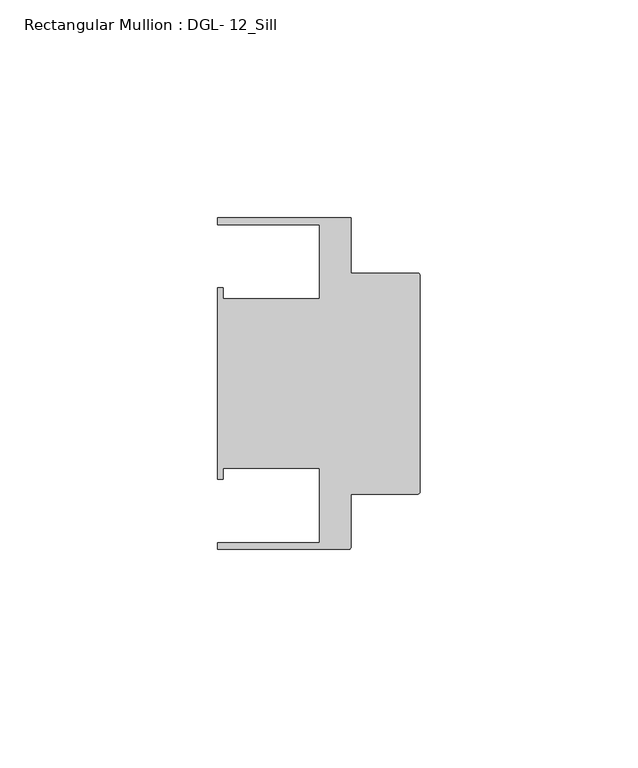
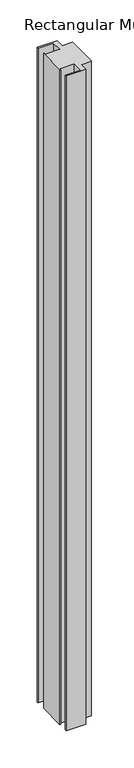
"""IFC4 building model written with IfcOpenShell, lengths in millimetres: member geometry, Rectangular Mullion : DGL- 12_Sill."""

from ifc_helpers import new_model, si_unit, point, frame, frame_2d, origin, place, context, project, spatial, polyline, circle_curve, trimmed, segment, composite_curve, outline, extrude, source, transform, mapped, element, save


def rectangular_mullion_dgl_12_sill_7a303648(model_context):
    return source(origin(), model_context, "Body", "SweptSolid", [
        extrude(outline(composite_curve([segment(trimmed(circle_curve(frame_2d((-0.5953125, 24.8046875)), 0.5953125), [point((-0.5953125, 25.4))], [point((0.0, 24.8046875))], False, "CARTESIAN"), True, "CONTINUOUS"), segment(polyline([(0.0, 24.8046875), (0.0, -24.8046875)]), True, "CONTINUOUS"), segment(trimmed(circle_curve(frame_2d((-0.5953125, -24.8046875)), 0.5953125), [point((0.0, -24.8046875))], [point((-0.5953125, -25.4))], False, "CARTESIAN"), True, "CONTINUOUS"), segment(polyline([(-0.5953125, -25.4), (-15.8750672, -25.4), (-15.8750672, -37.5047035)]), True, "CONTINUOUS"), segment(trimmed(circle_curve(frame_2d((-16.4703797, -37.5047035)), 0.5953125), [point((-15.8750672, -37.5047035))], [point((-16.4703797, -38.100016))], False, "CARTESIAN"), True, "CONTINUOUS"), segment(polyline([(-16.4703797, -38.100016), (-46.54296, -38.100016), (-46.54296, -36.512516), (-23.1202791, -36.512516), (-23.1202791, -19.4824275), (-45.2865266, -19.4824275), (-45.2865266, -21.9710976), (-46.54296, -21.9710976), (-46.54296, 21.9710976), (-45.2865266, 21.9710976), (-45.2865266, 19.4824275), (-23.1202791, 19.4824275), (-23.1202791, 36.512516), (-46.54296, 36.512516), (-46.54296, 38.0996792), (-15.8750672, 38.0996792), (-15.8750672, 25.4), (-0.5953125, 25.4)]), True, "CONTINUOUS")], self_intersect=False)), frame((0.0, 0.0, -1066.8), z_axis=(0.0, 0.0, 1.0), x_axis=(1.0, 0.0, 0.0)), (0.0, 0.0, 1.0), 1066.8),
    ])


if __name__ == "__main__":
    model = new_model("IFC4")
    model_context = context("Model", 3, world=origin())
    ifc_project = project(units=[si_unit("LENGTHUNIT", "METRE", prefix="MILLI")], contexts=[model_context])
    site = spatial("IfcSite", under=ifc_project)
    building = spatial("IfcBuilding", under=site)
    placement = place(None, origin())
    rectangular_mullion_dgl_12_sill_shape = rectangular_mullion_dgl_12_sill_7a303648(model_context)
    element("IfcMember", 1, ObjectType="Rectangular Mullion : DGL- 12_Sill", at=placement, inside=building, context=model_context, shape_type="MappedRepresentation", body=[
        mapped(rectangular_mullion_dgl_12_sill_shape, transform((0.0, 0.0, 0.0), x_axis=(1.0, 0.0, 0.0), y_axis=(0.0, 1.0, 0.0), z_axis=(0.0, 0.0, 1.0))),
    ])
    save(model, "model.ifc")
